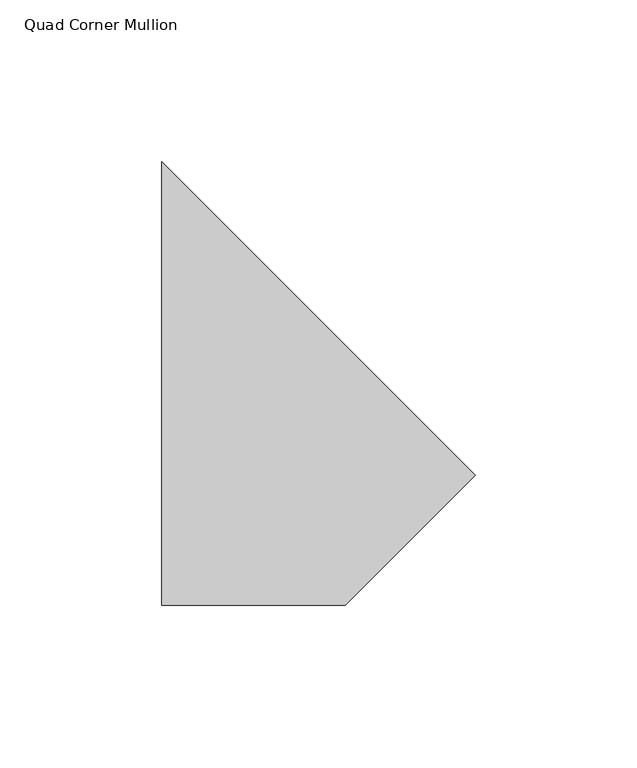
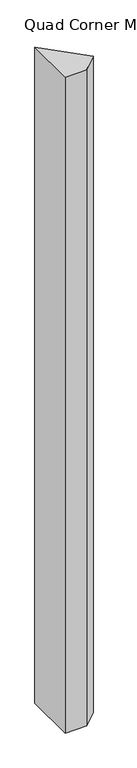
"""IFC4 building model written with IfcOpenShell, lengths in millimetres: member geometry, Quad Corner Mullion."""

from ifc_helpers import new_model, si_unit, frame, origin, place, context, project, spatial, polyline, outline, extrude, source, transform, mapped, element, save


def quad_corner_mullion_0f66ad77(model_context):
    return source(origin(), model_context, "Body", "SweptSolid", [
        extrude(outline(polyline([(62.2977351, -12.9820682), (22.0489439, -53.2308594), (-34.8714425, -53.2308594), (-34.8714425, 84.1871094), (62.2977351, -12.9820682)])), frame((0.0, 0.0, -1828.8), z_axis=(0.0, 0.0, 1.0), x_axis=(1.0, 0.0, 0.0)), (0.0, 0.0, 1.0), 1828.8),
    ])


if __name__ == "__main__":
    model = new_model("IFC4")
    model_context = context("Model", 3, world=origin())
    ifc_project = project(units=[si_unit("LENGTHUNIT", "METRE", prefix="MILLI")], contexts=[model_context])
    site = spatial("IfcSite", under=ifc_project)
    building = spatial("IfcBuilding", under=site)
    placement = place(None, origin())
    quad_corner_mullion_shape = quad_corner_mullion_0f66ad77(model_context)
    element("IfcMember", 1, ObjectType="Quad Corner Mullion", at=placement, inside=building, context=model_context, shape_type="MappedRepresentation", body=[
        mapped(quad_corner_mullion_shape, transform((0.0, 0.0, 0.0), x_axis=(1.0, 0.0, 0.0), y_axis=(0.0, 1.0, 0.0), z_axis=(0.0, 0.0, 1.0))),
    ])
    save(model, "model.ifc")
